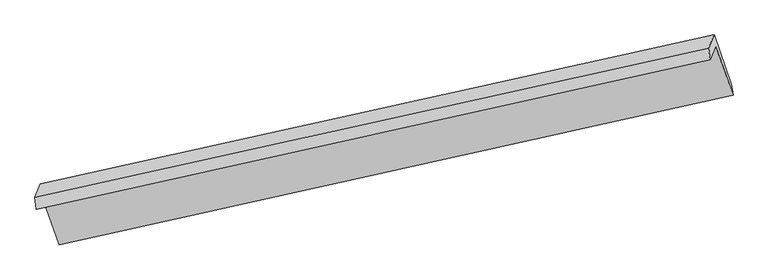
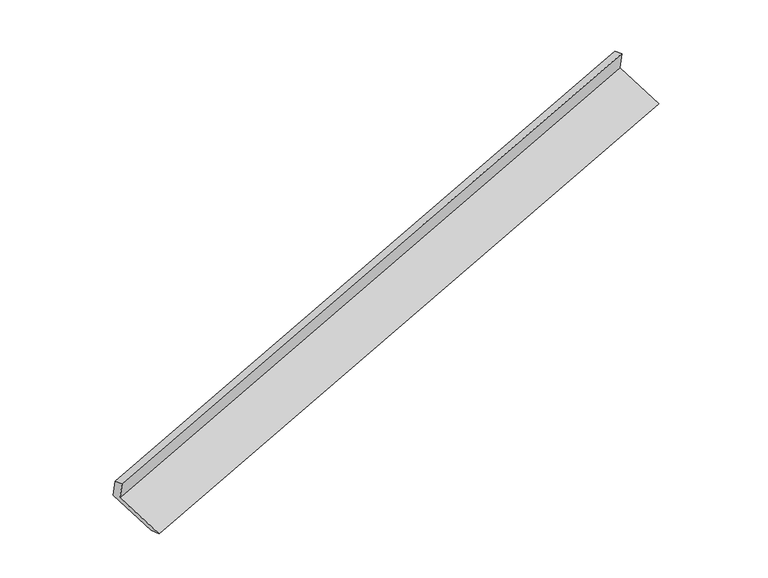
"""IFC4 building model written with IfcOpenShell, lengths in millimetres: proxy geometry."""

import ifcopenshell
import ifcopenshell.guid

model = None  # the IFC model being written
_history = None  # IfcOwnerHistory: only IFC2X3 demands one
_inside = {}  # id of a spatial element -> (the spatial element, [elements in it])
_under = {}  # id of a project, library or spatial element -> (it, [spatial elements below it])
_declared = {}  # id of a project -> (the project, [libraries it declares])
_typed = {}  # id of a type object -> (the type object, [elements of that type])
_made_of = {}  # id of a material, layer set ... -> (it, [elements and type objects made of it])


def new_model(schema):
    """Start an empty IFC model of exactly this schema.

    Asked for "IFC4X3", IfcOpenShell would pick the latest addendum, in which some entities
    have other attributes; the version numbers below select the first issue.
    IFC2X3 requires an IfcOwnerHistory on every rooted entity: one is made here for all.
    """
    global model, _history
    if schema == "IFC4X3":
        model = ifcopenshell.file(schema_version=(4, 3, 0, 0))
    else:
        model = ifcopenshell.file(schema=schema)
    _inside.clear()
    _under.clear()
    _declared.clear()
    _typed.clear()
    _made_of.clear()
    _history = None
    if model.schema == "IFC2X3":
        org = make("IfcOrganization", Name="unknown")
        user = make(
            "IfcPersonAndOrganization",
            ThePerson=make("IfcPerson", FamilyName="unknown"),
            TheOrganization=org,
        )
        app = make(
            "IfcApplication",
            ApplicationDeveloper=org,
            Version="unknown",
            ApplicationFullName="unknown",
            ApplicationIdentifier="unknown",
        )
        _history = make(
            "IfcOwnerHistory",
            OwningUser=user,
            OwningApplication=app,
            ChangeAction="ADDED",
            CreationDate=0,
        )
    return model


def make(cls, **values):
    """One entity of the class cls with the attributes given. An attribute that is None is left unset."""
    return model.create_entity(
        cls, **{name: value for name, value in values.items() if value is not None}
    )


def rooted(cls, **values):
    """An entity with a GlobalId (a new one), such as an element, a storey or a relation."""
    return make(cls, GlobalId=ifcopenshell.guid.new(), OwnerHistory=_history, **values)


def si_unit(unit_type, name, prefix=None):
    """IfcSIUnit, for example si_unit("LENGTHUNIT", "METRE", prefix="MILLI")."""
    return make("IfcSIUnit", UnitType=unit_type, Prefix=prefix, Name=name)


def assignment(units):
    """IfcUnitAssignment: the units of a project."""
    return None if units is None else make("IfcUnitAssignment", Units=units)


def point(xyz):
    """IfcCartesianPoint."""
    return None if xyz is None else make("IfcCartesianPoint", Coordinates=xyz)


def direction(xyz):
    """IfcDirection."""
    return None if xyz is None else make("IfcDirection", DirectionRatios=xyz)


def frame(location, z_axis=None, x_axis=None):
    """IfcAxis2Placement3D, a coordinate frame: its origin and axes. An axis left out is left unset."""
    return make(
        "IfcAxis2Placement3D",
        Location=point(location),
        Axis=direction(z_axis),
        RefDirection=direction(x_axis),
    )


def origin():
    """The frame at (0, 0, 0) with its axes left unset."""
    return frame((0.0, 0.0, 0.0))


def place(relative_to, where):
    """IfcLocalPlacement: puts the frame where relative to a parent placement (None: the world)."""
    return make(
        "IfcLocalPlacement", PlacementRelTo=relative_to, RelativePlacement=where
    )


def context(
    kind, dimensions, precision=None, world=None, true_north=None, identifier=None
):
    """IfcGeometricRepresentationContext, for example the 3D "Model" context."""
    return make(
        "IfcGeometricRepresentationContext",
        ContextIdentifier=identifier,
        ContextType=kind,
        CoordinateSpaceDimension=dimensions,
        Precision=precision,
        WorldCoordinateSystem=world,
        TrueNorth=true_north,
    )


def project(units=None, contexts=None):
    """IfcProject with its units and contexts."""
    return rooted(
        "IfcProject",
        Name="project",
        RepresentationContexts=contexts,
        UnitsInContext=assignment(units),
    )


def spatial(cls, under=None, at=None, **own):
    """A site, building, storey or space (cls), placed at a placement, below another one or the project."""
    s = rooted(cls, ObjectPlacement=at, **own)
    if under is not None:
        _under.setdefault(under.id(), (under, []))[1].append(s)
    return s


def shape(context_of_items, identifier, shape_type, items):
    """IfcShapeRepresentation: the items that make up one representation, for example the "Body"."""
    return make(
        "IfcShapeRepresentation",
        ContextOfItems=context_of_items,
        RepresentationIdentifier=identifier,
        RepresentationType=shape_type,
        Items=items,
    )


def source(mapping_origin, context_of_items, identifier, shape_type, items):
    """IfcRepresentationMap: a shape defined once, which mapped items show again and again."""
    return make(
        "IfcRepresentationMap",
        MappingOrigin=mapping_origin,
        MappedRepresentation=shape(context_of_items, identifier, shape_type, items),
    )


def transform(
    local_origin,
    x_axis=None,
    y_axis=None,
    z_axis=None,
    scale=None,
    scale2=None,
    scale3=None,
    uniform=True,
):
    """IfcCartesianTransformationOperator3D, or its non-uniform kind. x_axis, y_axis, z_axis: its Axis1, 2, 3."""
    if uniform:
        return make(
            "IfcCartesianTransformationOperator3D",
            Axis1=direction(x_axis),
            Axis2=direction(y_axis),
            LocalOrigin=point(local_origin),
            Scale=scale,
            Axis3=direction(z_axis),
        )
    return make(
        "IfcCartesianTransformationOperator3DnonUniform",
        Axis1=direction(x_axis),
        Axis2=direction(y_axis),
        LocalOrigin=point(local_origin),
        Scale=scale,
        Axis3=direction(z_axis),
        Scale2=scale2,
        Scale3=scale3,
    )


def mapped(mapping_source, mapping_target):
    """IfcMappedItem: shows the shape of a source again, moved by a transform."""
    return make(
        "IfcMappedItem", MappingSource=mapping_source, MappingTarget=mapping_target
    )


def made_of(thing, what):
    """Note that an element or type object is made of a material, layer set ...; save() writes the relation."""
    if what is not None:
        _made_of.setdefault(what.id(), (what, []))[1].append(thing)
    return thing


def element(
    cls,
    number,
    at=None,
    inside=None,
    cuts=None,
    type_object=None,
    material=None,
    context=None,
    identifier="Body",
    shape_type=None,
    held_by="IfcProductDefinitionShape",
    body=None,
    shapes=None,
    **own,
):
    """One element of the class cls, such as IfcWall. Its Tag is "e" and its number.

    at: its placement. inside: the storey or other place that contains it. cuts: it is an
    opening in that element (IfcRelVoidsElement). A single representation is given by context,
    identifier, shape_type and body (its items); several are given by shapes. held_by: the class
    of the entity that holds the representations. save() writes the other relations.
    """
    e = rooted(cls, Tag="e%d" % number, ObjectPlacement=at, **own)
    if body is not None:
        shapes = [shape(context, identifier, shape_type, body)]
    if shapes is not None:
        e.Representation = make(held_by, Representations=shapes)
    if inside is not None:
        _inside.setdefault(inside.id(), (inside, []))[1].append(e)
    if cuts is not None:
        rooted(
            "IfcRelVoidsElement", RelatingBuildingElement=cuts, RelatedOpeningElement=e
        )
    if type_object is not None:
        _typed.setdefault(type_object.id(), (type_object, []))[1].append(e)
    return made_of(e, material)


def aggregate(whole, parts):
    """IfcRelAggregates: a whole, such as a stair, and the parts it consists of."""
    return rooted("IfcRelAggregates", RelatingObject=whole, RelatedObjects=parts)


def save(model, path):
    """Write the relations noted so far, then the file.

    IfcRelAggregates (storeys below a building ...), IfcRelContainedInSpatialStructure (elements
    in a storey), IfcRelDefinesByType, IfcRelAssociatesMaterial and IfcRelDeclares: one each for
    every whole, place, type object, material and project.
    """
    for whole, parts in _under.values():
        aggregate(whole, parts)
    for where, things in _inside.values():
        rooted(
            "IfcRelContainedInSpatialStructure",
            RelatedElements=things,
            RelatingStructure=where,
        )
    for kind, things in _typed.values():
        rooted("IfcRelDefinesByType", RelatedObjects=things, RelatingType=kind)
    for what, things in _made_of.values():
        rooted("IfcRelAssociatesMaterial", RelatedObjects=things, RelatingMaterial=what)
    for by, libraries in _declared.values():
        rooted("IfcRelDeclares", RelatingContext=by, RelatedDefinitions=libraries)
    model.write(path)


def plane_surface(at):
    """IfcPlane: the flat surface through the origin of the frame at, square to its z axis."""
    return make("IfcPlane", Position=at)


def spline_surface(u_degree, v_degree, points, u_multiplicities, v_multiplicities, u_knots, v_knots, weights=None):
    """IfcBSplineSurfaceWithKnots; with weights, IfcRationalBSplineSurfaceWithKnots. points: one row for each step in u."""
    own = dict(
        UDegree=u_degree,
        VDegree=v_degree,
        ControlPointsList=[[point(p) for p in row] for row in points],
        SurfaceForm="UNSPECIFIED",
        UClosed=False,
        VClosed=False,
        SelfIntersect=False,
        UMultiplicities=u_multiplicities,
        VMultiplicities=v_multiplicities,
        UKnots=u_knots,
        VKnots=v_knots,
        KnotSpec="UNSPECIFIED",
    )
    if weights is None:
        return make("IfcBSplineSurfaceWithKnots", **own)
    return make("IfcRationalBSplineSurfaceWithKnots", WeightsData=weights, **own)


def advanced_brep(points, edges, surfaces, faces):
    """IfcAdvancedBrep: a solid bounded by faces that lie on surfaces and meet in shared edges.

    An edge is (start, end): straight between two places in points (the first is 0);
    or (start, end, curve); or (start, end, curve, False) where it runs against its curve.
    A face is (place in surfaces, loops), or (place, loops, False) where it looks against
    its surface's normal. A loop lists edges by number (the first is 1), with a minus sign
    where the edge is run from its end to its start. The first loop is the outer one.
    """
    corners = [point(p) for p in points]
    vertices = [make("IfcVertexPoint", VertexGeometry=c) for c in corners]
    made = []
    for start, end, *more in edges:
        made.append(
            make(
                "IfcEdgeCurve",
                EdgeStart=vertices[start],
                EdgeEnd=vertices[end],
                EdgeGeometry=more[0] if more else make("IfcPolyline", Points=[corners[start], corners[end]]),
                SameSense=more[1] if len(more) > 1 else True,
            )
        )
    hull = []
    for where, loops, *sense in faces:
        bounds = []
        for j, loop in enumerate(loops):
            ring = [make("IfcOrientedEdge", EdgeElement=made[abs(k) - 1], Orientation=k > 0) for k in loop]
            bounds.append(
                make(
                    "IfcFaceOuterBound" if j == 0 else "IfcFaceBound",
                    Bound=make("IfcEdgeLoop", EdgeList=ring),
                    Orientation=True,
                )
            )
        hull.append(make("IfcAdvancedFace", Bounds=bounds, FaceSurface=surfaces[where], SameSense=sense[0] if sense else True))
    return make("IfcAdvancedBrep", Outer=make("IfcClosedShell", CfsFaces=hull))


def generic_models_f9135488(model_context):
    return source(origin(), model_context, "Body", "AdvancedBrep", [
        advanced_brep(
        [(-7581.9778888, -2508.7649459, 884.2690866), (-7505.3904321, -2322.2019032, 500.5619446), (1699.517494, -275.50744, 3327.3288428), (1622.9300372, -462.0704827, 3711.0359848), (-7602.2159144, -2347.3967765, 833.45657), (1602.6920116, -300.7023133, 3660.2234681), (-7527.0068261, -2164.1913672, 456.6551254), (1676.1342841, -121.800775, 3292.2738627), (-7294.7443067, -2827.0751394, 180.7123392), (1911.4745319, -793.4684707, 3012.6745376), (-7269.2760395, -2996.0790298, 220.0428858), (1935.6318865, -949.3845666, 3046.809784)],
        [
            (0, 1),
            (1, 2),
            (2, 3),
            (3, 0),
            (4, 0),
            (3, 5),
            (5, 4),
            (6, 4),
            (5, 7),
            (7, 6),
            (8, 6),
            (7, 9),
            (9, 8),
            (10, 8),
            (9, 11),
            (11, 10),
            (1, 10),
            (11, 2),
        ],
        [
            plane_surface(frame((-7543.6841604, -2415.4834245, 692.4155156), z_axis=(0.30762073279006336, -0.878426145573255, -0.3657006857130833), x_axis=(0.17668158167015574, 0.4303871008105854, -0.8851839143106879))),
            plane_surface(frame((-7592.0969016, -2428.0808612, 858.8628283), z_axis=(-0.33395375870907323, 0.24474514876629105, 0.910260786368087), x_axis=(0.1187779512530086, -0.9470775909203023, 0.2982211177511319))),
            plane_surface(frame((-7564.6113703, -2255.7940718, 645.0558477), z_axis=(-0.307620732790068, 0.8784261455732431, 0.36570068571310793), x_axis=(-0.17668158167006118, -0.4303871008105907, 0.8851839143107042))),
            plane_surface(frame((-7410.8755664, -2495.6332533, 318.6837323), z_axis=(0.1771564088757002, 0.43049260466990763, -0.8850376964394141), x_axis=(-0.30777283694279667, 0.8783923452798613, 0.3656538918074407))),
            spline_surface(1, 1, [[(-7269.2760395, -2996.0790298, 220.0428858), (1935.6318865, -949.3845666, 3046.809784)], [(-7294.7443067, -2827.0751394, 180.7123392), (1911.4745319, -793.4684707, 3012.6745376)]], [2, 2], [2, 2], [0.0, 1.0], [0.0, 1.0]),
            plane_surface(frame((-7387.3332358, -2659.1404665, 360.3024152), z_axis=(-0.17620670888594314, -0.4302814859236349, 0.8853299038296027), x_axis=(0.3077728369427895, -0.8783923452798694, -0.3656538918074276))),
            plane_surface(frame((1741.3967076, -483.8223414, 3341.7244133), z_axis=(0.9349114928905011, 0.2078312565751828, 0.28765720789098126), x_axis=(-0.30777283694279667, 0.8783923452798613, 0.3656538918074407))),
            plane_surface(frame((-7463.4352346, -2527.6181937, 512.6163253), z_axis=(-0.9349114928905649, -0.2078312565748217, -0.2876572078910345), x_axis=(-0.17668158167025574, -0.4303871008105853, 0.8851839143106679))),
        ],
        [
            (0, [[1, 2, 3, 4]]),
            (1, [[5, -4, 6, 7]]),
            (2, [[8, -7, 9, 10]]),
            (3, [[11, -10, 12, 13]]),
            (4, [[14, -13, 15, 16]]),
            (5, [[17, -16, 18, -2]]),
            (6, [[-12, -9, -6, -3, -18, -15]]),
            (7, [[-1, -5, -8, -11, -14, -17]]),
        ],
    ),
    ])


if __name__ == "__main__":
    model = new_model("IFC4")
    model_context = context("Model", 3, world=origin())
    ifc_project = project(units=[si_unit("LENGTHUNIT", "METRE", prefix="MILLI")], contexts=[model_context])
    site = spatial("IfcSite", under=ifc_project)
    building = spatial("IfcBuilding", under=site)
    placement = place(None, origin())
    generic_models_shape = generic_models_f9135488(model_context)
    element("IfcBuildingElementProxy", 1, Name="Generic Models", at=placement, inside=building, context=model_context, shape_type="MappedRepresentation", body=[
        mapped(generic_models_shape, transform((0.0, 0.0, 0.0), x_axis=(1.0, 0.0, 0.0), y_axis=(0.0, 1.0, 0.0), z_axis=(0.0, 0.0, 1.0))),
    ])
    save(model, "model.ifc")
